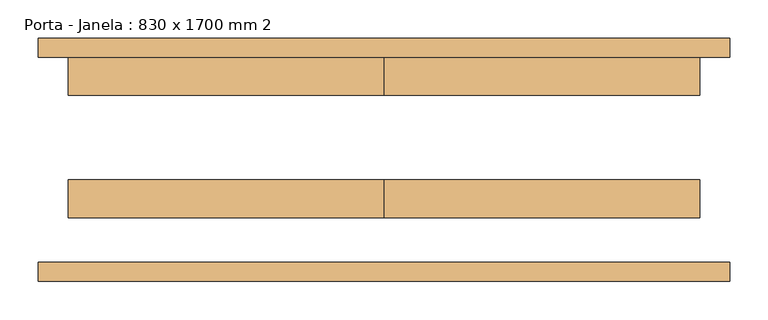
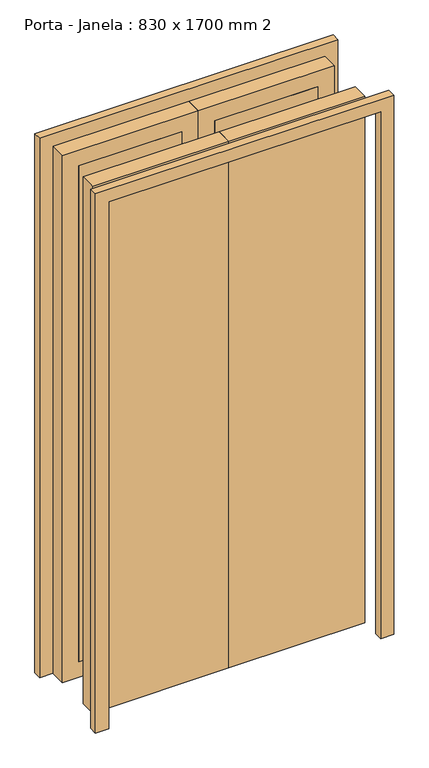
"""IFC4 building model written with IfcOpenShell, lengths in millimetres: door geometry, Porta - Janela : 830 x 1700 mm 2."""

from ifc_helpers import new_model, si_unit, frame, origin, origin_with_axes, place, context, project, spatial, polyline, outline, extrude, source, transform, mapped, element, save


def porta_janela_830_x_1700_mm_2_7e08a7b8(model_context):
    return source(origin(), model_context, "Body", "SweptSolid", [
        extrude(outline(polyline([(1700.0, -415.0), (1700.0, 415.0), (0.0, 415.0), (0.0, 455.0), (1740.0, 455.0), (1740.0, -455.0), (0.0, -455.0), (0.0, -415.0), (1700.0, -415.0)])), frame((0.0, -160.0, 0.0), z_axis=(0.0, 1.0, 0.0), x_axis=(0.0, 0.0, 1.0)), (0.0, 0.0, 1.0), 25.0),
        extrude(outline(polyline([(1700.0, -415.0), (1700.0, 415.0), (0.0, 415.0), (0.0, 455.0), (1740.0, 455.0), (1740.0, -455.0), (0.0, -455.0), (0.0, -415.0), (1700.0, -415.0)])), frame((0.0, 135.0, 0.0), z_axis=(0.0, 1.0, 0.0), x_axis=(0.0, 0.0, 1.0)), (0.0, 0.0, 1.0), 25.0),
        extrude(outline(polyline([(50.0, 135.0), (365.0, 135.0), (365.0, 85.0), (50.0, 85.0), (50.0, 135.0)])), frame((0.0, 0.0, 50.0), z_axis=(0.0, 0.0, 1.0), x_axis=(1.0, 0.0, 0.0)), (0.0, 0.0, 1.0), 1600.0),
        extrude(outline(polyline([(-365.0, 135.0), (-50.0, 135.0), (-50.0, 85.0), (-365.0, 85.0), (-365.0, 135.0)])), frame((0.0, 0.0, 50.0), z_axis=(0.0, 0.0, 1.0), x_axis=(1.0, 0.0, 0.0)), (0.0, 0.0, 1.0), 1600.0),
        extrude(outline(polyline([(415.0, -76.2), (0.0, -76.2), (0.0, -26.2), (415.0, -26.2), (415.0, -76.2)])), origin_with_axes(), (0.0, 0.0, 1.0), 1700.0),
        extrude(outline(polyline([(0.0, -76.2), (-415.0, -76.2), (-415.0, -26.2), (0.0, -26.2), (0.0, -76.2)])), origin_with_axes(), (0.0, 0.0, 1.0), 1700.0),
        extrude(outline(polyline([(1700.0, 0.0), (0.0, 0.0), (0.0, 415.0), (1700.0, 415.0), (1700.0, 0.0)]), holes=[polyline([(1650.0, 50.0), (1650.0, 365.0), (50.0, 365.0), (50.0, 50.0), (1650.0, 50.0)])]), frame((0.0, 85.0, 0.0), z_axis=(0.0, 1.0, 0.0), x_axis=(0.0, 0.0, 1.0)), (0.0, 0.0, 1.0), 50.0),
        extrude(outline(polyline([(1700.0, -415.0), (0.0, -415.0), (0.0, 0.0), (1700.0, 0.0), (1700.0, -415.0)]), holes=[polyline([(1650.0, -365.0), (1650.0, -50.0), (50.0, -50.0), (50.0, -365.0), (1650.0, -365.0)])]), frame((0.0, 85.0, 0.0), z_axis=(0.0, 1.0, 0.0), x_axis=(0.0, 0.0, 1.0)), (0.0, 0.0, 1.0), 50.0),
    ])


if __name__ == "__main__":
    model = new_model("IFC4")
    model_context = context("Model", 3, world=origin())
    ifc_project = project(units=[si_unit("LENGTHUNIT", "METRE", prefix="MILLI")], contexts=[model_context])
    site = spatial("IfcSite", under=ifc_project)
    building = spatial("IfcBuilding", under=site)
    placement = place(None, origin())
    porta_janela_830_x_1700_mm_2_shape = porta_janela_830_x_1700_mm_2_7e08a7b8(model_context)
    element("IfcDoor", 1, ObjectType="Porta - Janela : 830 x 1700 mm 2", at=placement, inside=building, context=model_context, shape_type="MappedRepresentation", body=[
        mapped(porta_janela_830_x_1700_mm_2_shape, transform((0.0, 0.0, 0.0), x_axis=(1.0, 0.0, 0.0), y_axis=(0.0, 1.0, 0.0), z_axis=(0.0, 0.0, 1.0))),
    ])
    save(model, "model.ifc")
